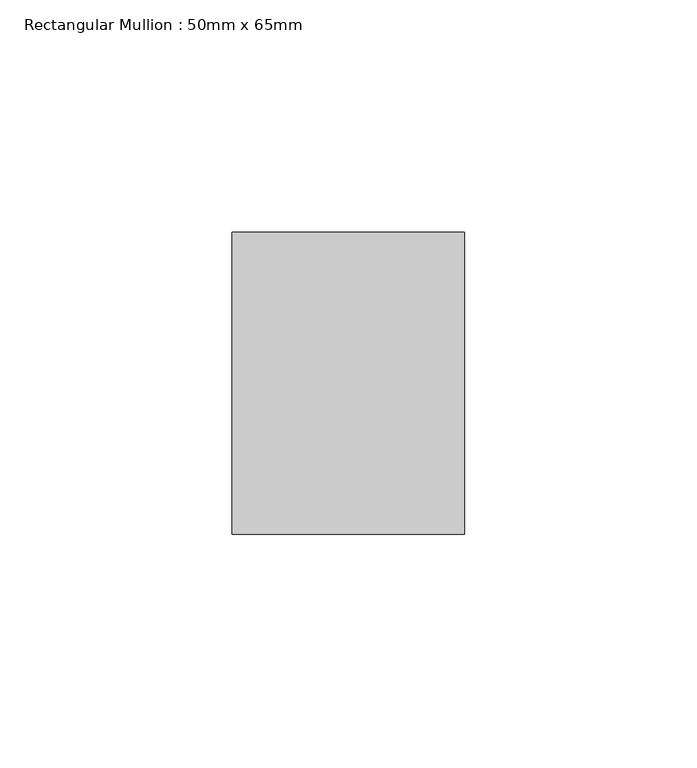
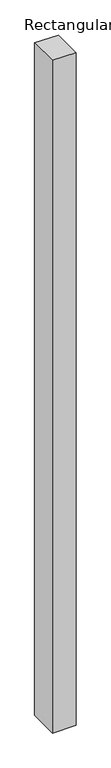
"""IFC4 building model written with IfcOpenShell, lengths in millimetres: member geometry, Rectangular Mullion : 50mm x 65mm."""

from ifc_helpers import new_model, si_unit, origin, place, context, project, spatial, faceted_brep, source, transform, mapped, element, save


def rectangular_mullion_50mm_x_65mm_d306830c(model_context):
    return source(origin(), model_context, "Body", "Brep", [
        faceted_brep([(-25.0, 32.5, -0.1835719), (25.0, 32.5, -0.183571), (25.0, 32.5, -1499.7336686), (-25.0, 32.5, -1499.7336675), (-25.0, -32.5, 0.183571), (-25.0, -32.5, -1500.2665618), (25.0, -32.5, 0.1835719), (25.0, -32.5, -1500.266563)], [[[0, 1, 2, 3]], [[4, 0, 3, 5]], [[6, 4, 5, 7]], [[1, 6, 7, 2]], [[1, 0, 4, 6]], [[2, 7, 5, 3]]]),
    ])


if __name__ == "__main__":
    model = new_model("IFC4")
    model_context = context("Model", 3, world=origin())
    ifc_project = project(units=[si_unit("LENGTHUNIT", "METRE", prefix="MILLI")], contexts=[model_context])
    site = spatial("IfcSite", under=ifc_project)
    building = spatial("IfcBuilding", under=site)
    placement = place(None, origin())
    rectangular_mullion_50mm_x_65mm_shape = rectangular_mullion_50mm_x_65mm_d306830c(model_context)
    element("IfcMember", 1, ObjectType="Rectangular Mullion : 50mm x 65mm", at=placement, inside=building, context=model_context, shape_type="MappedRepresentation", body=[
        mapped(rectangular_mullion_50mm_x_65mm_shape, transform((0.0, 0.0, 0.0), x_axis=(1.0, 0.0, 0.0), y_axis=(0.0, 1.0, 0.0), z_axis=(0.0, 0.0, 1.0))),
    ])
    save(model, "model.ifc")
